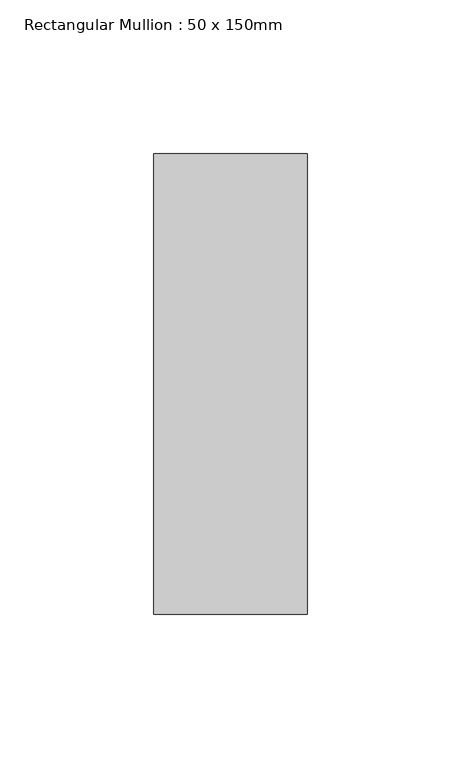
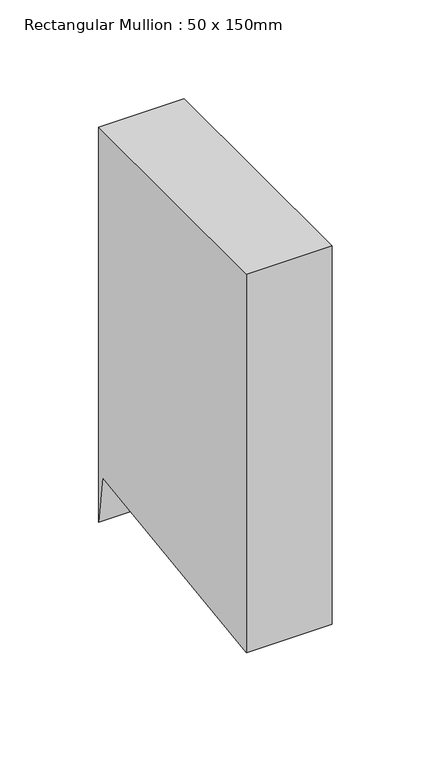
"""IFC4 building model written with IfcOpenShell, lengths in millimetres: member geometry, Rectangular Mullion : 50 x 150mm."""

from ifc_helpers import new_model, si_unit, frame, origin, place, context, project, spatial, polyline, outline, extrude, source, transform, mapped, element, save


def rectangular_mullion_50_x_150mm_882dbef9(model_context):
    return source(origin(), model_context, "Body", "SweptSolid", [
        extrude(outline(polyline([(-75.0, 0.0), (75.0, 0.0), (75.0, -244.1706206), (71.0328341, -214.4506495), (-75.0, -233.9438204), (-75.0, 0.0)])), frame((-25.0, 0.0, 0.0), z_axis=(1.0, 0.0, 0.0), x_axis=(0.0, 1.0, 0.0)), (0.0, 0.0, 1.0), 50.0),
    ])


if __name__ == "__main__":
    model = new_model("IFC4")
    model_context = context("Model", 3, world=origin())
    ifc_project = project(units=[si_unit("LENGTHUNIT", "METRE", prefix="MILLI")], contexts=[model_context])
    site = spatial("IfcSite", under=ifc_project)
    building = spatial("IfcBuilding", under=site)
    placement = place(None, origin())
    rectangular_mullion_50_x_150mm_shape = rectangular_mullion_50_x_150mm_882dbef9(model_context)
    element("IfcMember", 1, ObjectType="Rectangular Mullion : 50 x 150mm", at=placement, inside=building, context=model_context, shape_type="MappedRepresentation", body=[
        mapped(rectangular_mullion_50_x_150mm_shape, transform((0.0, 0.0, 0.0), x_axis=(1.0, 0.0, 0.0), y_axis=(0.0, 1.0, 0.0), z_axis=(0.0, 0.0, 1.0))),
    ])
    save(model, "model.ifc")
